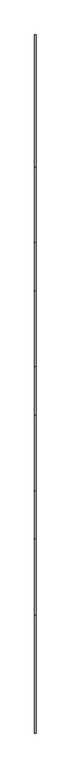
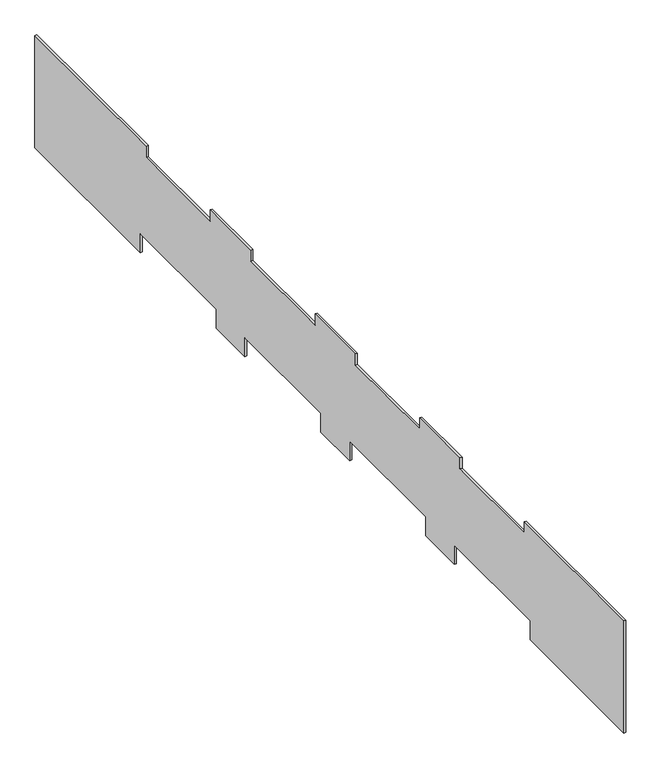
"""IFC4 building model written with IfcOpenShell, lengths in millimetres: furniture geometry."""

import ifcopenshell
import ifcopenshell.guid

model = None  # the IFC model being written
_history = None  # IfcOwnerHistory: only IFC2X3 demands one
_inside = {}  # id of a spatial element -> (the spatial element, [elements in it])
_under = {}  # id of a project, library or spatial element -> (it, [spatial elements below it])
_declared = {}  # id of a project -> (the project, [libraries it declares])
_typed = {}  # id of a type object -> (the type object, [elements of that type])
_made_of = {}  # id of a material, layer set ... -> (it, [elements and type objects made of it])


def new_model(schema):
    """Start an empty IFC model of exactly this schema.

    Asked for "IFC4X3", IfcOpenShell would pick the latest addendum, in which some entities
    have other attributes; the version numbers below select the first issue.
    IFC2X3 requires an IfcOwnerHistory on every rooted entity: one is made here for all.
    """
    global model, _history
    if schema == "IFC4X3":
        model = ifcopenshell.file(schema_version=(4, 3, 0, 0))
    else:
        model = ifcopenshell.file(schema=schema)
    _inside.clear()
    _under.clear()
    _declared.clear()
    _typed.clear()
    _made_of.clear()
    _history = None
    if model.schema == "IFC2X3":
        org = make("IfcOrganization", Name="unknown")
        user = make(
            "IfcPersonAndOrganization",
            ThePerson=make("IfcPerson", FamilyName="unknown"),
            TheOrganization=org,
        )
        app = make(
            "IfcApplication",
            ApplicationDeveloper=org,
            Version="unknown",
            ApplicationFullName="unknown",
            ApplicationIdentifier="unknown",
        )
        _history = make(
            "IfcOwnerHistory",
            OwningUser=user,
            OwningApplication=app,
            ChangeAction="ADDED",
            CreationDate=0,
        )
    return model


def make(cls, **values):
    """One entity of the class cls with the attributes given. An attribute that is None is left unset."""
    return model.create_entity(
        cls, **{name: value for name, value in values.items() if value is not None}
    )


def rooted(cls, **values):
    """An entity with a GlobalId (a new one), such as an element, a storey or a relation."""
    return make(cls, GlobalId=ifcopenshell.guid.new(), OwnerHistory=_history, **values)


def si_unit(unit_type, name, prefix=None):
    """IfcSIUnit, for example si_unit("LENGTHUNIT", "METRE", prefix="MILLI")."""
    return make("IfcSIUnit", UnitType=unit_type, Prefix=prefix, Name=name)


def assignment(units):
    """IfcUnitAssignment: the units of a project."""
    return None if units is None else make("IfcUnitAssignment", Units=units)


def point(xyz):
    """IfcCartesianPoint."""
    return None if xyz is None else make("IfcCartesianPoint", Coordinates=xyz)


def direction(xyz):
    """IfcDirection."""
    return None if xyz is None else make("IfcDirection", DirectionRatios=xyz)


def frame(location, z_axis=None, x_axis=None):
    """IfcAxis2Placement3D, a coordinate frame: its origin and axes. An axis left out is left unset."""
    return make(
        "IfcAxis2Placement3D",
        Location=point(location),
        Axis=direction(z_axis),
        RefDirection=direction(x_axis),
    )


def origin():
    """The frame at (0, 0, 0) with its axes left unset."""
    return frame((0.0, 0.0, 0.0))


def place(relative_to, where):
    """IfcLocalPlacement: puts the frame where relative to a parent placement (None: the world)."""
    return make(
        "IfcLocalPlacement", PlacementRelTo=relative_to, RelativePlacement=where
    )


def context(
    kind, dimensions, precision=None, world=None, true_north=None, identifier=None
):
    """IfcGeometricRepresentationContext, for example the 3D "Model" context."""
    return make(
        "IfcGeometricRepresentationContext",
        ContextIdentifier=identifier,
        ContextType=kind,
        CoordinateSpaceDimension=dimensions,
        Precision=precision,
        WorldCoordinateSystem=world,
        TrueNorth=true_north,
    )


def project(units=None, contexts=None):
    """IfcProject with its units and contexts."""
    return rooted(
        "IfcProject",
        Name="project",
        RepresentationContexts=contexts,
        UnitsInContext=assignment(units),
    )


def spatial(cls, under=None, at=None, **own):
    """A site, building, storey or space (cls), placed at a placement, below another one or the project."""
    s = rooted(cls, ObjectPlacement=at, **own)
    if under is not None:
        _under.setdefault(under.id(), (under, []))[1].append(s)
    return s


def polyline(points):
    """IfcPolyline through the points."""
    return make("IfcPolyline", Points=[point(p) for p in points])


def outline(outer, holes=None, kind="AREA"):
    """IfcArbitraryClosedProfileDef: a profile drawn as a closed curve; with holes, ...WithVoids."""
    if holes is None:
        return make("IfcArbitraryClosedProfileDef", ProfileType=kind, OuterCurve=outer)
    return make(
        "IfcArbitraryProfileDefWithVoids",
        ProfileType=kind,
        OuterCurve=outer,
        InnerCurves=holes,
    )


def extrude(swept, where, along, depth):
    """IfcExtrudedAreaSolid: the profile swept, set in the frame where, extruded along a direction by depth."""
    return make(
        "IfcExtrudedAreaSolid",
        SweptArea=swept,
        Position=where,
        ExtrudedDirection=direction(along),
        Depth=depth,
    )


def shape(context_of_items, identifier, shape_type, items):
    """IfcShapeRepresentation: the items that make up one representation, for example the "Body"."""
    return make(
        "IfcShapeRepresentation",
        ContextOfItems=context_of_items,
        RepresentationIdentifier=identifier,
        RepresentationType=shape_type,
        Items=items,
    )


def source(mapping_origin, context_of_items, identifier, shape_type, items):
    """IfcRepresentationMap: a shape defined once, which mapped items show again and again."""
    return make(
        "IfcRepresentationMap",
        MappingOrigin=mapping_origin,
        MappedRepresentation=shape(context_of_items, identifier, shape_type, items),
    )


def transform(
    local_origin,
    x_axis=None,
    y_axis=None,
    z_axis=None,
    scale=None,
    scale2=None,
    scale3=None,
    uniform=True,
):
    """IfcCartesianTransformationOperator3D, or its non-uniform kind. x_axis, y_axis, z_axis: its Axis1, 2, 3."""
    if uniform:
        return make(
            "IfcCartesianTransformationOperator3D",
            Axis1=direction(x_axis),
            Axis2=direction(y_axis),
            LocalOrigin=point(local_origin),
            Scale=scale,
            Axis3=direction(z_axis),
        )
    return make(
        "IfcCartesianTransformationOperator3DnonUniform",
        Axis1=direction(x_axis),
        Axis2=direction(y_axis),
        LocalOrigin=point(local_origin),
        Scale=scale,
        Axis3=direction(z_axis),
        Scale2=scale2,
        Scale3=scale3,
    )


def mapped(mapping_source, mapping_target):
    """IfcMappedItem: shows the shape of a source again, moved by a transform."""
    return make(
        "IfcMappedItem", MappingSource=mapping_source, MappingTarget=mapping_target
    )


def made_of(thing, what):
    """Note that an element or type object is made of a material, layer set ...; save() writes the relation."""
    if what is not None:
        _made_of.setdefault(what.id(), (what, []))[1].append(thing)
    return thing


def element(
    cls,
    number,
    at=None,
    inside=None,
    cuts=None,
    type_object=None,
    material=None,
    context=None,
    identifier="Body",
    shape_type=None,
    held_by="IfcProductDefinitionShape",
    body=None,
    shapes=None,
    **own,
):
    """One element of the class cls, such as IfcWall. Its Tag is "e" and its number.

    at: its placement. inside: the storey or other place that contains it. cuts: it is an
    opening in that element (IfcRelVoidsElement). A single representation is given by context,
    identifier, shape_type and body (its items); several are given by shapes. held_by: the class
    of the entity that holds the representations. save() writes the other relations.
    """
    e = rooted(cls, Tag="e%d" % number, ObjectPlacement=at, **own)
    if body is not None:
        shapes = [shape(context, identifier, shape_type, body)]
    if shapes is not None:
        e.Representation = make(held_by, Representations=shapes)
    if inside is not None:
        _inside.setdefault(inside.id(), (inside, []))[1].append(e)
    if cuts is not None:
        rooted(
            "IfcRelVoidsElement", RelatingBuildingElement=cuts, RelatedOpeningElement=e
        )
    if type_object is not None:
        _typed.setdefault(type_object.id(), (type_object, []))[1].append(e)
    return made_of(e, material)


def aggregate(whole, parts):
    """IfcRelAggregates: a whole, such as a stair, and the parts it consists of."""
    return rooted("IfcRelAggregates", RelatingObject=whole, RelatedObjects=parts)


def save(model, path):
    """Write the relations noted so far, then the file.

    IfcRelAggregates (storeys below a building ...), IfcRelContainedInSpatialStructure (elements
    in a storey), IfcRelDefinesByType, IfcRelAssociatesMaterial and IfcRelDeclares: one each for
    every whole, place, type object, material and project.
    """
    for whole, parts in _under.values():
        aggregate(whole, parts)
    for where, things in _inside.values():
        rooted(
            "IfcRelContainedInSpatialStructure",
            RelatedElements=things,
            RelatingStructure=where,
        )
    for kind, things in _typed.values():
        rooted("IfcRelDefinesByType", RelatedObjects=things, RelatingType=kind)
    for what, things in _made_of.values():
        rooted("IfcRelAssociatesMaterial", RelatedObjects=things, RelatingMaterial=what)
    for by, libraries in _declared.values():
        rooted("IfcRelDeclares", RelatingContext=by, RelatedDefinitions=libraries)
    model.write(path)


def furniture_306a2ff7(model_context):
    return source(origin(), model_context, "Body", "SweptSolid", [
        extrude(outline(polyline([(4395.2434867, 10140.0), (7265.2434867, 10140.0), (7265.2434867, 8370.0), (4545.2434867, 8370.0), (4545.2434867, 8670.0), (2585.2434867, 8670.0), (2585.2434867, 8370.0), (1845.2434867, 8370.0), (1845.2434867, 8670.0), (-114.7565133, 8670.0), (-114.7565133, 8370.0), (-854.7565133, 8370.0), (-854.7565133, 8670.0), (-2814.7565133, 8670.0), (-2814.7565133, 8370.0), (-3554.7565133, 8370.0), (-3554.7565133, 8670.0), (-5514.7565133, 8670.0), (-5514.7565133, 8370.0), (-7934.7565133, 8370.0), (-7934.7565133, 10140.0), (-5364.7565133, 10140.0), (-5364.7565133, 9965.0), (-3704.7565133, 9965.0), (-3704.7565133, 10140.0), (-2664.7565133, 10140.0), (-2664.7565133, 9965.0), (-1004.7565133, 9965.0), (-1004.7565133, 10140.0), (35.2434867, 10140.0), (35.2434867, 9965.0), (1695.2434867, 9965.0), (1695.2434867, 10140.0), (2735.2434867, 10140.0), (2735.2434867, 9965.0), (4395.2434867, 9965.0), (4395.2434867, 10140.0)])), frame((-14370.6424823, 0.0, 0.0), z_axis=(1.0, 0.0, 0.0), x_axis=(0.0, 1.0, 0.0)), (0.0, 0.0, 1.0), 30.0),
    ])


if __name__ == "__main__":
    model = new_model("IFC4")
    model_context = context("Model", 3, world=origin())
    ifc_project = project(units=[si_unit("LENGTHUNIT", "METRE", prefix="MILLI")], contexts=[model_context])
    site = spatial("IfcSite", under=ifc_project)
    building = spatial("IfcBuilding", under=site)
    placement = place(None, origin())
    furniture_shape = furniture_306a2ff7(model_context)
    element("IfcFurniture", 1, at=placement, inside=building, context=model_context, shape_type="MappedRepresentation", body=[
        mapped(furniture_shape, transform((0.0, 0.0, 0.0), x_axis=(1.0, 0.0, 0.0), y_axis=(0.0, 1.0, 0.0), z_axis=(0.0, 0.0, 1.0))),
    ])
    save(model, "model.ifc")
